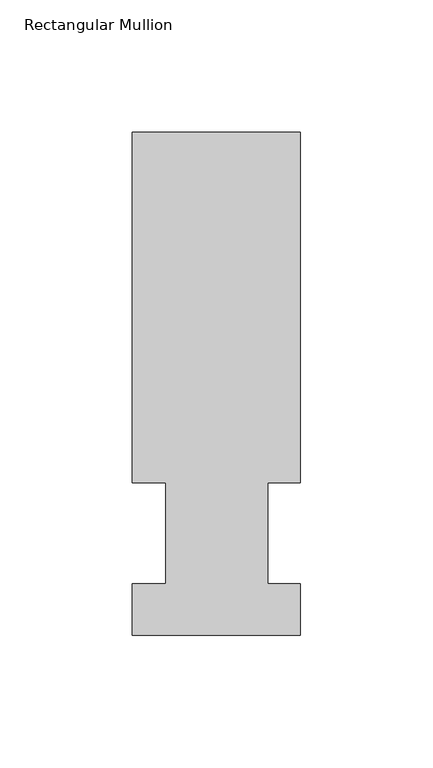
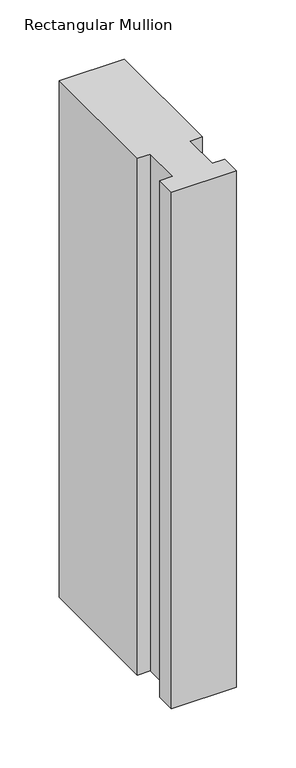
"""IFC4 building model written with IfcOpenShell, lengths in millimetres: member geometry, Rectangular Mullion."""

from ifc_helpers import new_model, si_unit, frame, origin, place, context, project, spatial, polyline, outline, extrude, source, transform, mapped, element, save


def rectangular_mullion_afc15c1e(model_context):
    return source(origin(), model_context, "Body", "SweptSolid", [
        extrude(outline(polyline([(-63.5, 57.6460937), (-63.5, 190.0816938), (0.0, 190.0816938), (0.0, 57.6460937), (-12.3418395, 57.6460937), (-12.3418395, 19.5460938), (0.0, 19.5460938), (0.0, 0.0134938), (-63.5, 0.0134938), (-63.5, 19.5460938), (-50.8, 19.5460938), (-50.8, 57.6460937), (-63.5, 57.6460937)])), frame((0.0, 0.0, -533.4), z_axis=(0.0, 0.0, 1.0), x_axis=(1.0, 0.0, 0.0)), (0.0, 0.0, 1.0), 533.4),
    ])


if __name__ == "__main__":
    model = new_model("IFC4")
    model_context = context("Model", 3, world=origin())
    ifc_project = project(units=[si_unit("LENGTHUNIT", "METRE", prefix="MILLI")], contexts=[model_context])
    site = spatial("IfcSite", under=ifc_project)
    building = spatial("IfcBuilding", under=site)
    placement = place(None, origin())
    rectangular_mullion_shape = rectangular_mullion_afc15c1e(model_context)
    element("IfcMember", 1, ObjectType="Rectangular Mullion", at=placement, inside=building, context=model_context, shape_type="MappedRepresentation", body=[
        mapped(rectangular_mullion_shape, transform((0.0, 0.0, 0.0), x_axis=(1.0, 0.0, 0.0), y_axis=(0.0, 1.0, 0.0), z_axis=(0.0, 0.0, 1.0))),
    ])
    save(model, "model.ifc")
